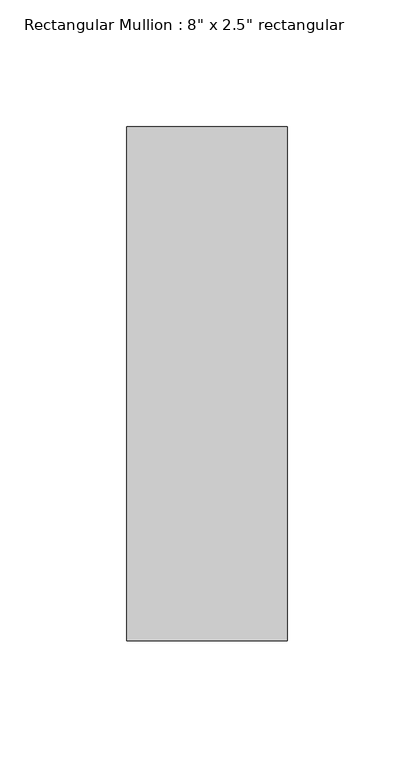
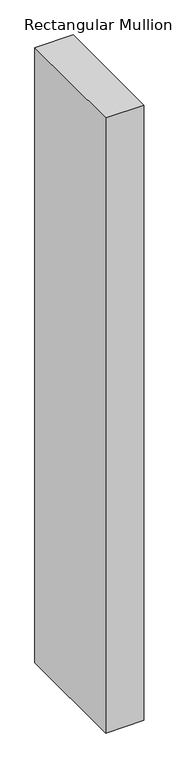
"""IFC4 building model written with IfcOpenShell, lengths in millimetres: member geometry."""

from ifc_helpers import new_model, si_unit, frame, origin, place, context, project, spatial, polyline, outline, extrude, source, transform, mapped, element, save


def member_7ffb0d0e(model_context):
    return source(origin(), model_context, "Body", "SweptSolid", [
        extrude(outline(polyline([(31.75, 114.3), (31.75, -88.9), (-31.75, -88.9), (-31.75, 114.3), (31.75, 114.3)])), frame((0.0, 0.0, -1080.0), z_axis=(0.0, 0.0, 1.0), x_axis=(1.0, 0.0, 0.0)), (0.0, 0.0, 1.0), 1080.0),
    ])


if __name__ == "__main__":
    model = new_model("IFC4")
    model_context = context("Model", 3, world=origin())
    ifc_project = project(units=[si_unit("LENGTHUNIT", "METRE", prefix="MILLI")], contexts=[model_context])
    site = spatial("IfcSite", under=ifc_project)
    building = spatial("IfcBuilding", under=site)
    placement = place(None, origin())
    member_shape = member_7ffb0d0e(model_context)
    element("IfcMember", 1, ObjectType="Rectangular Mullion : 8\" x 2.5\" rectangular", at=placement, inside=building, context=model_context, shape_type="MappedRepresentation", body=[
        mapped(member_shape, transform((0.0, 0.0, 0.0), x_axis=(1.0, 0.0, 0.0), y_axis=(0.0, 1.0, 0.0), z_axis=(0.0, 0.0, 1.0))),
    ])
    save(model, "model.ifc")
